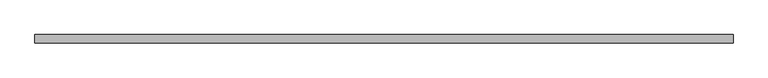
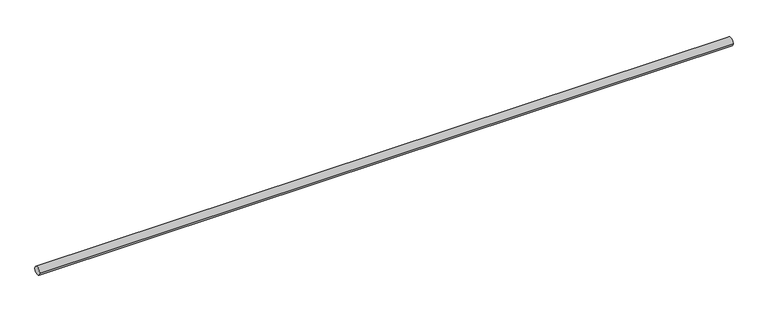
"""IFC4 building model written with IfcOpenShell, lengths in millimetres: proxy geometry."""

from ifc_helpers import new_model, si_unit, point, frame, frame_2d, origin, place, context, project, spatial, circle_curve, trimmed, segment, composite_curve, outline, extrude, source, transform, mapped, element, save


def generic_models_ebef3562(model_context):
    return source(origin(), model_context, "Body", "SweptSolid", [
        extrude(outline(composite_curve([segment(trimmed(circle_curve(frame_2d((-5277.3114392, 3909.32)), 17.45), [point((-5294.7614392, 3909.32))], [point((-5259.8614392, 3909.32))], False, "CARTESIAN"), True, "CONTINUOUS"), segment(trimmed(circle_curve(frame_2d((-5277.3114392, 3909.32)), 17.45), [point((-5259.8614392, 3909.32))], [point((-5294.7614392, 3909.32))], False, "CARTESIAN"), True, "CONTINUOUS")], self_intersect=False)), frame((-3781.5776651, 0.0, 0.0), z_axis=(1.0, 0.0, 0.0), x_axis=(0.0, 1.0, 0.0)), (0.0, 0.0, 1.0), 2927.1145),
    ])


if __name__ == "__main__":
    model = new_model("IFC4")
    model_context = context("Model", 3, world=origin())
    ifc_project = project(units=[si_unit("LENGTHUNIT", "METRE", prefix="MILLI")], contexts=[model_context])
    site = spatial("IfcSite", under=ifc_project)
    building = spatial("IfcBuilding", under=site)
    placement = place(None, origin())
    generic_models_shape = generic_models_ebef3562(model_context)
    element("IfcBuildingElementProxy", 1, Name="Generic Models", at=placement, inside=building, context=model_context, shape_type="MappedRepresentation", body=[
        mapped(generic_models_shape, transform((0.0, 0.0, 0.0), x_axis=(1.0, 0.0, 0.0), y_axis=(0.0, 1.0, 0.0), z_axis=(0.0, 0.0, 1.0))),
    ])
    save(model, "model.ifc")
